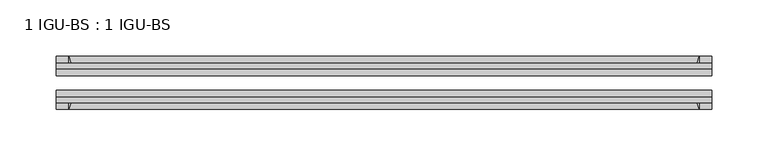
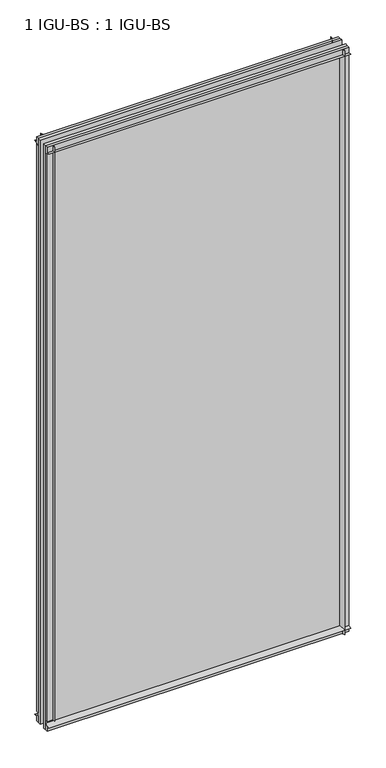
"""IFC4 building model written with IfcOpenShell, lengths in millimetres: plate geometry, 1 IGU-BS : 1 IGU-BS."""

from ifc_helpers import new_model, si_unit, point, frame, frame_2d, origin, origin_with_axes, place, context, project, spatial, polyline, circle_curve, trimmed, segment, composite_curve, outline, extrude, source, transform, mapped, element, save


def plate_1_igu_bs_1_igu_bs_799911f7(model_context):
    return source(origin(), model_context, "Body", "SweptSolid", [
        extrude(outline(composite_curve([segment(polyline([(-109.8637312, 1176.3375), (-103.8947312, 1176.3375), (-103.8947312, 1187.45), (-99.1195312, 1187.45), (-99.1195312, 1172.4396095)]), True, "CONTINUOUS"), segment(trimmed(circle_curve(frame_2d((-115.4953516, 1144.0577461)), 32.7673262), [point((-99.1195312, 1172.4396095))], [point((-109.8637312, 1176.3375))], True, "CARTESIAN"), True, "CONTINUOUS")], self_intersect=False)), frame((-290.5125, 0.0, 0.0), z_axis=(1.0, 0.0, 0.0), x_axis=(0.0, 1.0, 0.0)), (0.0, 0.0, 1.0), 581.025),
        extrude(outline(composite_curve([segment(polyline([(-73.7195312, 1172.4396095), (-73.7195312, 1187.45), (-68.9443312, 1187.45), (-68.9443312, 1176.3375), (-62.9753315, 1176.3375)]), True, "CONTINUOUS"), segment(trimmed(circle_curve(frame_2d((-57.3437109, 1144.0577461)), 32.7673262), [point((-62.9753315, 1176.3375))], [point((-73.7195312, 1172.4396095))], True, "CARTESIAN"), True, "CONTINUOUS")], self_intersect=False)), frame((-290.5125, 0.0, 0.0), z_axis=(1.0, 0.0, 0.0), x_axis=(0.0, 1.0, 0.0)), (0.0, 0.0, 1.0), 581.025),
        extrude(outline(composite_curve([segment(polyline([(-103.8947312, 0.0), (-103.8947312, 9.5265381), (-109.8637315, 9.5265381)]), True, "CONTINUOUS"), segment(trimmed(circle_curve(frame_2d((-115.5567965, 42.1919217)), 33.1577785), [point((-109.8637315, 9.5265381))], [point((-99.1195312, 13.3951409))], True, "CARTESIAN"), True, "CONTINUOUS"), segment(polyline([(-99.1195312, 13.3951409), (-99.1195312, 0.0), (-103.8947312, 0.0)]), True, "CONTINUOUS")], self_intersect=False)), frame((-290.5125, 0.0, 0.0), z_axis=(1.0, 0.0, 0.0), x_axis=(0.0, 1.0, 0.0)), (0.0, 0.0, 1.0), 581.025),
        extrude(outline(composite_curve([segment(polyline([(-68.9443312, 0.0), (-73.7195312, 0.0), (-73.7195312, 13.4228906)]), True, "CONTINUOUS"), segment(trimmed(circle_curve(frame_2d((-57.3437109, 41.804754)), 32.7673262), [point((-73.7195312, 13.4228906))], [point((-62.9841404, 9.5265381))], True, "CARTESIAN"), True, "CONTINUOUS"), segment(polyline([(-62.9841404, 9.5265381), (-68.9443312, 9.5265381), (-68.9443312, 0.0)]), True, "CONTINUOUS")], self_intersect=False)), frame((-290.5125, 0.0, 0.0), z_axis=(1.0, 0.0, 0.0), x_axis=(0.0, 1.0, 0.0)), (0.0, 0.0, 1.0), 581.025),
        extrude(outline(composite_curve([segment(polyline([(290.5125, -68.9443313), (290.5125, -73.7195313), (275.5021095, -73.7195313)]), True, "CONTINUOUS"), segment(trimmed(circle_curve(frame_2d((247.120246, -57.3437109)), 32.7673262), [point((275.5021095, -73.7195313))], [point((279.4, -62.9753313))], True, "CARTESIAN"), True, "CONTINUOUS"), segment(polyline([(279.4, -62.9753313), (279.4, -68.9443313), (290.5125, -68.9443313)]), True, "CONTINUOUS")], self_intersect=False)), origin_with_axes(), (0.0, 0.0, 1.0), 1187.45),
        extrude(outline(composite_curve([segment(polyline([(290.5125, -99.1195313), (290.5125, -103.8947312), (279.4, -103.8947312), (279.4, -109.8637312)]), True, "CONTINUOUS"), segment(trimmed(circle_curve(frame_2d((247.120246, -115.4953516)), 32.7673262), [point((279.4, -109.8637312))], [point((275.5021095, -99.1195313))], True, "CARTESIAN"), True, "CONTINUOUS"), segment(polyline([(275.5021095, -99.1195313), (290.5125, -99.1195313)]), True, "CONTINUOUS")], self_intersect=False)), origin_with_axes(), (0.0, 0.0, 1.0), 1187.45),
        extrude(outline(composite_curve([segment(polyline([(-290.5125, -68.9443313), (-279.4, -68.9443313), (-279.4, -62.9753312)]), True, "CONTINUOUS"), segment(trimmed(circle_curve(frame_2d((-247.120246, -57.3437109)), 32.7673262), [point((-279.4, -62.9753312))], [point((-275.5021095, -73.7195313))], True, "CARTESIAN"), True, "CONTINUOUS"), segment(polyline([(-275.5021095, -73.7195313), (-290.5125, -73.7195313), (-290.5125, -68.9443313)]), True, "CONTINUOUS")], self_intersect=False)), frame((0.0, 0.0, 19.8437501), z_axis=(0.0, 0.0, 1.0), x_axis=(1.0, 0.0, 0.0)), (0.0, 0.0, 1.0), 1167.6062499),
        extrude(outline(composite_curve([segment(polyline([(-290.5125, -103.8947312), (-290.5125, -99.1195313), (-275.5021095, -99.1195313)]), True, "CONTINUOUS"), segment(trimmed(circle_curve(frame_2d((-247.120246, -115.4953516)), 32.7673262), [point((-275.5021095, -99.1195313))], [point((-279.4, -109.8637313))], True, "CARTESIAN"), True, "CONTINUOUS"), segment(polyline([(-279.4, -109.8637313), (-279.4, -103.8947312), (-290.5125, -103.8947312)]), True, "CONTINUOUS")], self_intersect=False)), frame((0.0, 0.0, 19.8437501), z_axis=(0.0, 0.0, 1.0), x_axis=(1.0, 0.0, 0.0)), (0.0, 0.0, 1.0), 1167.6062499),
        extrude(outline(polyline([(-290.5125, -99.1195313), (-290.5125, -92.8203313), (290.5125, -92.8203313), (290.5125, -99.1195313), (-290.5125, -99.1195313)])), origin_with_axes(), (0.0, 0.0, 1.0), 1187.45),
        extrude(outline(polyline([(290.5125, -80.0187313), (-290.5125, -80.0187313), (-290.5125, -73.7195313), (290.5125, -73.7195313), (290.5125, -80.0187313)])), origin_with_axes(), (0.0, 0.0, 1.0), 1187.45),
    ])


if __name__ == "__main__":
    model = new_model("IFC4")
    model_context = context("Model", 3, world=origin())
    ifc_project = project(units=[si_unit("LENGTHUNIT", "METRE", prefix="MILLI")], contexts=[model_context])
    site = spatial("IfcSite", under=ifc_project)
    building = spatial("IfcBuilding", under=site)
    placement = place(None, origin())
    plate_1_igu_bs_1_igu_bs_shape = plate_1_igu_bs_1_igu_bs_799911f7(model_context)
    element("IfcPlate", 1, ObjectType="1 IGU-BS : 1 IGU-BS", at=placement, inside=building, context=model_context, shape_type="MappedRepresentation", body=[
        mapped(plate_1_igu_bs_1_igu_bs_shape, transform((0.0, 0.0, 0.0), x_axis=(1.0, 0.0, 0.0), y_axis=(0.0, 1.0, 0.0), z_axis=(0.0, 0.0, 1.0))),
    ])
    save(model, "model.ifc")
